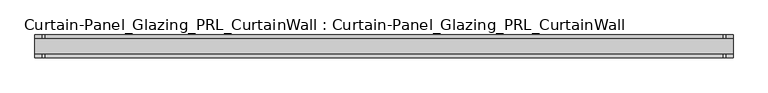
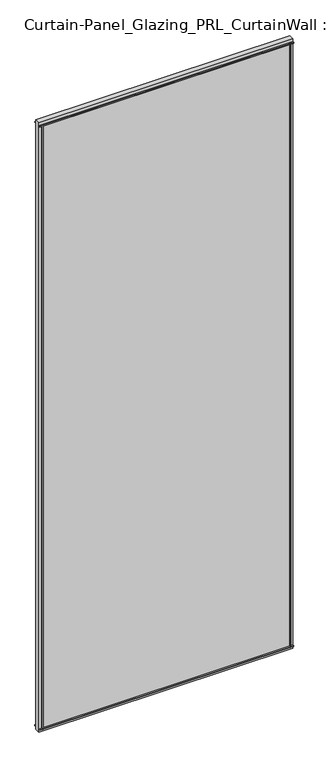
"""IFC4 building model written with IfcOpenShell, lengths in millimetres: plate geometry, Curtain-Panel_Glazing_PRL_CurtainWall : Curtain-Panel_Glazing_PRL_CurtainWall."""

from ifc_helpers import new_model, si_unit, frame, origin, origin_with_axes, place, context, project, spatial, polyline, outline, extrude, source, transform, mapped, element, save


def curtain_panel_glazing_prl_curtainwall_curtain_panel_glazing_cc5c68b7(model_context):
    return source(origin(), model_context, "Body", "SweptSolid", [
        extrude(outline(polyline([(544.2716285, 19.05), (544.2716285, 12.7), (540.3028785, 12.7), (540.3028785, 19.05), (544.2716285, 19.05)])), frame((0.0, 0.0, 12.7), z_axis=(0.0, 0.0, 1.0), x_axis=(1.0, 0.0, 0.0)), (0.0, 0.0, 1.0), 2946.4),
        extrude(outline(polyline([(544.2716285, -19.05), (540.3028785, -19.05), (540.3028785, -12.7), (544.2716285, -12.7), (544.2716285, -19.05)])), frame((0.0, 0.0, 12.7), z_axis=(0.0, 0.0, 1.0), x_axis=(1.0, 0.0, 0.0)), (0.0, 0.0, 1.0), 2946.4),
        extrude(outline(polyline([(-602.2153785, 19.05), (-598.2466285, 19.05), (-598.2466285, 12.7), (-602.2153785, 12.7), (-602.2153785, 19.05)])), frame((0.0, 0.0, 12.7), z_axis=(0.0, 0.0, 1.0), x_axis=(1.0, 0.0, 0.0)), (0.0, 0.0, 1.0), 2946.4),
        extrude(outline(polyline([(-602.2153785, -19.05), (-602.2153785, -12.7), (-598.2466285, -12.7), (-598.2466285, -19.05), (-602.2153785, -19.05)])), frame((0.0, 0.0, 12.7), z_axis=(0.0, 0.0, 1.0), x_axis=(1.0, 0.0, 0.0)), (0.0, 0.0, 1.0), 2946.4),
        extrude(outline(polyline([(556.9716285, -12.7), (-614.9153785, -12.7), (-614.9153785, 12.7), (556.9716285, 12.7), (556.9716285, -12.7)])), origin_with_axes(), (0.0, 0.0, 1.0), 2971.8),
        extrude(outline(polyline([(-614.9153785, 19.05), (556.9716285, 19.05), (556.9716285, 12.7), (-614.9153785, 12.7), (-614.9153785, 19.05)])), frame((0.0, 0.0, 2955.13125), z_axis=(0.0, 0.0, 1.0), x_axis=(1.0, 0.0, 0.0)), (0.0, 0.0, 1.0), 3.96875),
        extrude(outline(polyline([(-614.9153785, -19.05), (-614.9153785, -12.7), (556.9716285, -12.7), (556.9716285, -19.05), (-614.9153785, -19.05)])), frame((0.0, 0.0, 2955.13125), z_axis=(0.0, 0.0, 1.0), x_axis=(1.0, 0.0, 0.0)), (0.0, 0.0, 1.0), 3.96875),
        extrude(outline(polyline([(-614.9153785, 19.05), (556.9716285, 19.05), (556.9716285, 12.7), (-614.9153785, 12.7), (-614.9153785, 19.05)])), frame((0.0, 0.0, 12.7), z_axis=(0.0, 0.0, 1.0), x_axis=(1.0, 0.0, 0.0)), (0.0, 0.0, 1.0), 3.96875),
        extrude(outline(polyline([(-614.9153785, -19.05), (-614.9153785, -12.7), (556.9716285, -12.7), (556.9716285, -19.05), (-614.9153785, -19.05)])), frame((0.0, 0.0, 12.7), z_axis=(0.0, 0.0, 1.0), x_axis=(1.0, 0.0, 0.0)), (0.0, 0.0, 1.0), 3.96875),
    ])


if __name__ == "__main__":
    model = new_model("IFC4")
    model_context = context("Model", 3, world=origin())
    ifc_project = project(units=[si_unit("LENGTHUNIT", "METRE", prefix="MILLI")], contexts=[model_context])
    site = spatial("IfcSite", under=ifc_project)
    building = spatial("IfcBuilding", under=site)
    placement = place(None, origin())
    curtain_panel_glazing_prl_curtainwall_curtain_panel_glazing_shape = curtain_panel_glazing_prl_curtainwall_curtain_panel_glazing_cc5c68b7(model_context)
    element("IfcPlate", 1, ObjectType="Curtain-Panel_Glazing_PRL_CurtainWall : Curtain-Panel_Glazing_PRL_CurtainWall", at=placement, inside=building, context=model_context, shape_type="MappedRepresentation", body=[
        mapped(curtain_panel_glazing_prl_curtainwall_curtain_panel_glazing_shape, transform((0.0, 0.0, 0.0), x_axis=(1.0, 0.0, 0.0), y_axis=(0.0, 1.0, 0.0), z_axis=(0.0, 0.0, 1.0))),
    ])
    save(model, "model.ifc")
